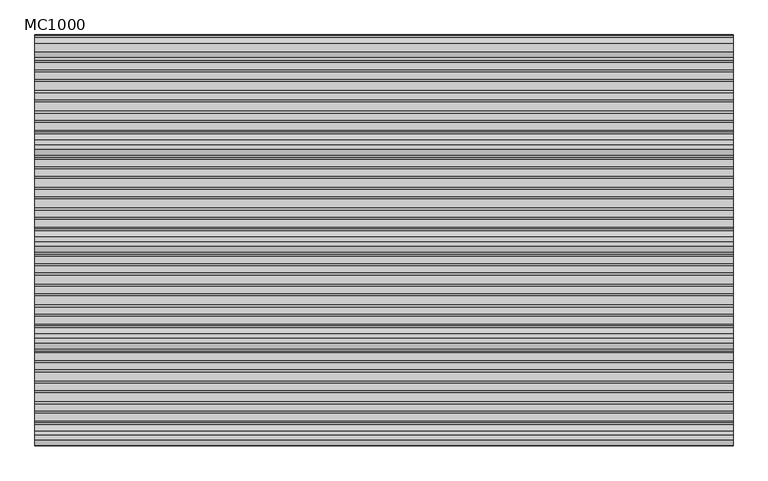
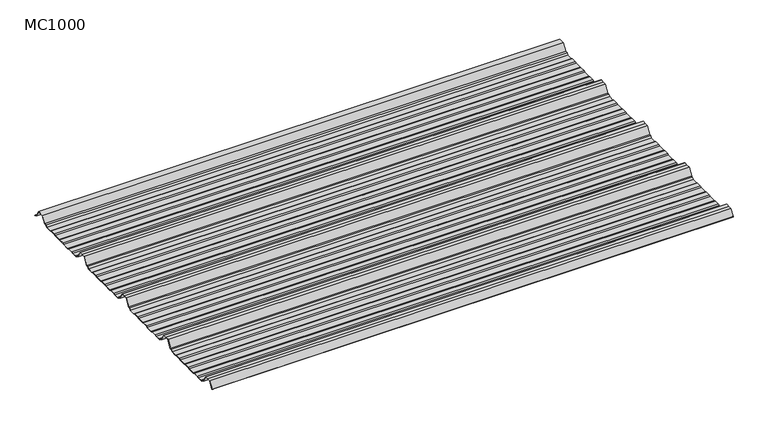
"""IFC4 building model written with IfcOpenShell, lengths in millimetres: beam geometry, MC1000."""

import ifcopenshell
import ifcopenshell.guid

model = None  # the IFC model being written
_history = None  # IfcOwnerHistory: only IFC2X3 demands one
_inside = {}  # id of a spatial element -> (the spatial element, [elements in it])
_under = {}  # id of a project, library or spatial element -> (it, [spatial elements below it])
_declared = {}  # id of a project -> (the project, [libraries it declares])
_typed = {}  # id of a type object -> (the type object, [elements of that type])
_made_of = {}  # id of a material, layer set ... -> (it, [elements and type objects made of it])


def new_model(schema):
    """Start an empty IFC model of exactly this schema.

    Asked for "IFC4X3", IfcOpenShell would pick the latest addendum, in which some entities
    have other attributes; the version numbers below select the first issue.
    IFC2X3 requires an IfcOwnerHistory on every rooted entity: one is made here for all.
    """
    global model, _history
    if schema == "IFC4X3":
        model = ifcopenshell.file(schema_version=(4, 3, 0, 0))
    else:
        model = ifcopenshell.file(schema=schema)
    _inside.clear()
    _under.clear()
    _declared.clear()
    _typed.clear()
    _made_of.clear()
    _history = None
    if model.schema == "IFC2X3":
        org = make("IfcOrganization", Name="unknown")
        user = make(
            "IfcPersonAndOrganization",
            ThePerson=make("IfcPerson", FamilyName="unknown"),
            TheOrganization=org,
        )
        app = make(
            "IfcApplication",
            ApplicationDeveloper=org,
            Version="unknown",
            ApplicationFullName="unknown",
            ApplicationIdentifier="unknown",
        )
        _history = make(
            "IfcOwnerHistory",
            OwningUser=user,
            OwningApplication=app,
            ChangeAction="ADDED",
            CreationDate=0,
        )
    return model


def make(cls, **values):
    """One entity of the class cls with the attributes given. An attribute that is None is left unset."""
    return model.create_entity(
        cls, **{name: value for name, value in values.items() if value is not None}
    )


def rooted(cls, **values):
    """An entity with a GlobalId (a new one), such as an element, a storey or a relation."""
    return make(cls, GlobalId=ifcopenshell.guid.new(), OwnerHistory=_history, **values)


def si_unit(unit_type, name, prefix=None):
    """IfcSIUnit, for example si_unit("LENGTHUNIT", "METRE", prefix="MILLI")."""
    return make("IfcSIUnit", UnitType=unit_type, Prefix=prefix, Name=name)


def assignment(units):
    """IfcUnitAssignment: the units of a project."""
    return None if units is None else make("IfcUnitAssignment", Units=units)


def point(xyz):
    """IfcCartesianPoint."""
    return None if xyz is None else make("IfcCartesianPoint", Coordinates=xyz)


def direction(xyz):
    """IfcDirection."""
    return None if xyz is None else make("IfcDirection", DirectionRatios=xyz)


def frame(location, z_axis=None, x_axis=None):
    """IfcAxis2Placement3D, a coordinate frame: its origin and axes. An axis left out is left unset."""
    return make(
        "IfcAxis2Placement3D",
        Location=point(location),
        Axis=direction(z_axis),
        RefDirection=direction(x_axis),
    )


def frame_2d(location, x_axis=None):
    """IfcAxis2Placement2D, a coordinate frame in the plane: its origin and x axis."""
    return make(
        "IfcAxis2Placement2D", Location=point(location), RefDirection=direction(x_axis)
    )


def origin():
    """The frame at (0, 0, 0) with its axes left unset."""
    return frame((0.0, 0.0, 0.0))


def place(relative_to, where):
    """IfcLocalPlacement: puts the frame where relative to a parent placement (None: the world)."""
    return make(
        "IfcLocalPlacement", PlacementRelTo=relative_to, RelativePlacement=where
    )


def context(
    kind, dimensions, precision=None, world=None, true_north=None, identifier=None
):
    """IfcGeometricRepresentationContext, for example the 3D "Model" context."""
    return make(
        "IfcGeometricRepresentationContext",
        ContextIdentifier=identifier,
        ContextType=kind,
        CoordinateSpaceDimension=dimensions,
        Precision=precision,
        WorldCoordinateSystem=world,
        TrueNorth=true_north,
    )


def project(units=None, contexts=None):
    """IfcProject with its units and contexts."""
    return rooted(
        "IfcProject",
        Name="project",
        RepresentationContexts=contexts,
        UnitsInContext=assignment(units),
    )


def spatial(cls, under=None, at=None, **own):
    """A site, building, storey or space (cls), placed at a placement, below another one or the project."""
    s = rooted(cls, ObjectPlacement=at, **own)
    if under is not None:
        _under.setdefault(under.id(), (under, []))[1].append(s)
    return s


def polyline(points):
    """IfcPolyline through the points."""
    return make("IfcPolyline", Points=[point(p) for p in points])


def circle_curve(where, radius):
    """IfcCircle in the frame where."""
    return make("IfcCircle", Position=where, Radius=radius)


def trimmed(basis, trim1, trim2, sense, master):
    """IfcTrimmedCurve: the piece of a basis curve between two trims."""
    return make(
        "IfcTrimmedCurve",
        BasisCurve=basis,
        Trim1=trim1,
        Trim2=trim2,
        SenseAgreement=sense,
        MasterRepresentation=master,
    )


def segment(curve, same_sense, transition):
    """IfcCompositeCurveSegment."""
    return make(
        "IfcCompositeCurveSegment",
        Transition=transition,
        SameSense=same_sense,
        ParentCurve=curve,
    )


def composite_curve(segments, self_intersect=None):
    """IfcCompositeCurve: segments joined end to end."""
    return make("IfcCompositeCurve", Segments=segments, SelfIntersect=self_intersect)


def outline(outer, holes=None, kind="AREA"):
    """IfcArbitraryClosedProfileDef: a profile drawn as a closed curve; with holes, ...WithVoids."""
    if holes is None:
        return make("IfcArbitraryClosedProfileDef", ProfileType=kind, OuterCurve=outer)
    return make(
        "IfcArbitraryProfileDefWithVoids",
        ProfileType=kind,
        OuterCurve=outer,
        InnerCurves=holes,
    )


def extrude(swept, where, along, depth):
    """IfcExtrudedAreaSolid: the profile swept, set in the frame where, extruded along a direction by depth."""
    return make(
        "IfcExtrudedAreaSolid",
        SweptArea=swept,
        Position=where,
        ExtrudedDirection=direction(along),
        Depth=depth,
    )


def shape(context_of_items, identifier, shape_type, items):
    """IfcShapeRepresentation: the items that make up one representation, for example the "Body"."""
    return make(
        "IfcShapeRepresentation",
        ContextOfItems=context_of_items,
        RepresentationIdentifier=identifier,
        RepresentationType=shape_type,
        Items=items,
    )


def source(mapping_origin, context_of_items, identifier, shape_type, items):
    """IfcRepresentationMap: a shape defined once, which mapped items show again and again."""
    return make(
        "IfcRepresentationMap",
        MappingOrigin=mapping_origin,
        MappedRepresentation=shape(context_of_items, identifier, shape_type, items),
    )


def transform(
    local_origin,
    x_axis=None,
    y_axis=None,
    z_axis=None,
    scale=None,
    scale2=None,
    scale3=None,
    uniform=True,
):
    """IfcCartesianTransformationOperator3D, or its non-uniform kind. x_axis, y_axis, z_axis: its Axis1, 2, 3."""
    if uniform:
        return make(
            "IfcCartesianTransformationOperator3D",
            Axis1=direction(x_axis),
            Axis2=direction(y_axis),
            LocalOrigin=point(local_origin),
            Scale=scale,
            Axis3=direction(z_axis),
        )
    return make(
        "IfcCartesianTransformationOperator3DnonUniform",
        Axis1=direction(x_axis),
        Axis2=direction(y_axis),
        LocalOrigin=point(local_origin),
        Scale=scale,
        Axis3=direction(z_axis),
        Scale2=scale2,
        Scale3=scale3,
    )


def mapped(mapping_source, mapping_target):
    """IfcMappedItem: shows the shape of a source again, moved by a transform."""
    return make(
        "IfcMappedItem", MappingSource=mapping_source, MappingTarget=mapping_target
    )


def made_of(thing, what):
    """Note that an element or type object is made of a material, layer set ...; save() writes the relation."""
    if what is not None:
        _made_of.setdefault(what.id(), (what, []))[1].append(thing)
    return thing


def element(
    cls,
    number,
    at=None,
    inside=None,
    cuts=None,
    type_object=None,
    material=None,
    context=None,
    identifier="Body",
    shape_type=None,
    held_by="IfcProductDefinitionShape",
    body=None,
    shapes=None,
    **own,
):
    """One element of the class cls, such as IfcWall. Its Tag is "e" and its number.

    at: its placement. inside: the storey or other place that contains it. cuts: it is an
    opening in that element (IfcRelVoidsElement). A single representation is given by context,
    identifier, shape_type and body (its items); several are given by shapes. held_by: the class
    of the entity that holds the representations. save() writes the other relations.
    """
    e = rooted(cls, Tag="e%d" % number, ObjectPlacement=at, **own)
    if body is not None:
        shapes = [shape(context, identifier, shape_type, body)]
    if shapes is not None:
        e.Representation = make(held_by, Representations=shapes)
    if inside is not None:
        _inside.setdefault(inside.id(), (inside, []))[1].append(e)
    if cuts is not None:
        rooted(
            "IfcRelVoidsElement", RelatingBuildingElement=cuts, RelatedOpeningElement=e
        )
    if type_object is not None:
        _typed.setdefault(type_object.id(), (type_object, []))[1].append(e)
    return made_of(e, material)


def aggregate(whole, parts):
    """IfcRelAggregates: a whole, such as a stair, and the parts it consists of."""
    return rooted("IfcRelAggregates", RelatingObject=whole, RelatedObjects=parts)


def save(model, path):
    """Write the relations noted so far, then the file.

    IfcRelAggregates (storeys below a building ...), IfcRelContainedInSpatialStructure (elements
    in a storey), IfcRelDefinesByType, IfcRelAssociatesMaterial and IfcRelDeclares: one each for
    every whole, place, type object, material and project.
    """
    for whole, parts in _under.values():
        aggregate(whole, parts)
    for where, things in _inside.values():
        rooted(
            "IfcRelContainedInSpatialStructure",
            RelatedElements=things,
            RelatingStructure=where,
        )
    for kind, things in _typed.values():
        rooted("IfcRelDefinesByType", RelatedObjects=things, RelatingType=kind)
    for what, things in _made_of.values():
        rooted("IfcRelAssociatesMaterial", RelatedObjects=things, RelatingMaterial=what)
    for by, libraries in _declared.values():
        rooted("IfcRelDeclares", RelatingContext=by, RelatedDefinitions=libraries)
    model.write(path)


def mc1000_ae855842(model_context):
    return source(origin(), model_context, "Body", "SweptSolid", [
        extrude(outline(composite_curve([segment(polyline([(-187.0338322, -23.7896472), (-192.5, -25.7896478), (-213.5, -25.7896478), (-217.6210251, -19.1370213), (-222.9746775, -19.1370213), (-238.0568616, 5.2103522), (-250.0, 5.2103522), (-261.9431384, 5.2103522), (-277.0253225, -19.1370213), (-282.3789749, -19.1370213), (-286.5, -25.7896478), (-307.5, -25.7896478), (-312.9661678, -23.7896476), (-330.9151087, -23.7896476), (-336.3812767, -25.7896478), (-360.5593616, -25.7896478), (-366.0255296, -23.7896476), (-383.97447, -23.7896476), (-389.4406384, -25.7896478), (-413.6187233, -25.7896478), (-419.0848913, -23.7896476), (-437.0338322, -23.7896476), (-442.5, -25.7896478), (-463.5, -25.7896478), (-467.6210251, -19.1370213), (-472.9746775, -19.1370213), (-488.0568616, 5.2103522), (-500.0, 5.2103522), (-511.9431384, 5.2103522), (-527.0253225, -19.1370213), (-532.3789749, -19.1370213), (-536.5, -25.7896478), (-557.5, -25.7896478), (-562.9661678, -23.789648), (-580.9151087, -23.789648), (-586.3812767, -25.7896482), (-610.5593616, -25.7896482), (-616.0255296, -23.7896476), (-633.97447, -23.7896476), (-639.4406384, -25.7896478), (-663.6187233, -25.7896478), (-669.0848913, -23.7896476), (-687.0338322, -23.7896476), (-692.5, -25.7896478), (-713.5, -25.7896478), (-717.6210251, -19.1370213), (-722.9746775, -19.1370213), (-738.0568616, 5.2103522), (-750.0, 5.2103522), (-761.9431384, 5.2103522), (-777.0253225, -19.1370213), (-782.3789749, -19.1370213), (-786.5, -25.7896478), (-807.5, -25.7896478), (-812.9661678, -23.7896476), (-830.9151087, -23.7896476), (-836.3812767, -25.7896478), (-860.5593616, -25.7896478), (-866.0255296, -23.7896476), (-883.97447, -23.7896476), (-889.4406384, -25.7896478), (-913.6187233, -25.7896478), (-919.0848913, -23.7896476), (-937.0338322, -23.7896476), (-942.5, -25.7896478), (-963.5, -25.7896478), (-967.6210251, -19.1370213), (-972.9746775, -19.1370213), (-988.0568616, 5.2103522), (-1000.0, 5.2103522), (-1011.9431384, 5.2103522), (-1025.3430666, -16.4213329)]), True, "CONTINUOUS"), segment(trimmed(circle_curve(frame_2d((-1025.768121, -16.1580294)), 0.5), [point((-1025.3430666, -16.4213329))], [point((-1026.1931754, -15.8947259))], False, "CARTESIAN"), True, "CONTINUOUS"), segment(polyline([(-1026.1931754, -15.8947259), (-1012.5, 6.2103522), (-1000.0, 6.2103522), (-987.5, 6.2103522), (-972.4178159, -18.1370213), (-967.0641635, -18.1370213), (-962.9431384, -24.7896478), (-942.6771992, -24.7896478), (-937.2110314, -22.7896476), (-918.9076926, -22.7896476), (-913.4415242, -24.7896478), (-889.6178376, -24.7896478), (-884.1516696, -22.7896478), (-865.8483309, -22.7896478), (-860.3821624, -24.7896478), (-836.5584758, -24.7896478), (-831.0923074, -22.7896476), (-812.7889686, -22.7896476), (-807.3228008, -24.7896478), (-787.0568616, -24.7896478), (-782.9358365, -18.1370213), (-777.5821841, -18.1370213), (-762.5, 6.2103522), (-750.0, 6.2103522), (-737.5, 6.2103522), (-722.4178159, -18.1370213), (-717.0641635, -18.1370213), (-712.9431384, -24.7896478), (-692.6771992, -24.7896478), (-687.2110314, -22.7896476), (-668.9076926, -22.7896476), (-663.4415242, -24.7896478), (-639.6178376, -24.7896478), (-634.1516696, -22.7896478), (-615.8483309, -22.7896478), (-610.3821624, -24.7896482), (-586.5584758, -24.7896482), (-581.0923074, -22.789648), (-562.7889686, -22.789648), (-557.3228008, -24.7896478), (-537.0568616, -24.7896478), (-532.9358365, -18.1370213), (-527.5821841, -18.1370213), (-512.5, 6.2103522), (-500.0, 6.2103522), (-487.5, 6.2103522), (-472.4178159, -18.1370213), (-467.0641635, -18.1370213), (-462.9431384, -24.7896478), (-442.6771992, -24.7896478), (-437.2110314, -22.7896476), (-418.9076926, -22.7896476), (-413.4415242, -24.7896478), (-389.6178376, -24.7896478), (-384.1516696, -22.7896478), (-365.8483309, -22.7896478), (-360.3821624, -24.7896478), (-336.5584758, -24.7896478), (-331.0923074, -22.7896476), (-312.7889686, -22.7896476), (-307.3228008, -24.7896478), (-287.0568616, -24.7896478), (-282.9358365, -18.1370213), (-277.5821841, -18.1370213), (-262.5, 6.2103522), (-250.0, 6.2103522), (-237.5, 6.2103522), (-222.4178159, -18.1370213), (-217.0641635, -18.1370213), (-212.9431384, -24.7896478), (-192.6771992, -24.7896478), (-187.2110314, -22.7896472), (-168.9076926, -22.7896472), (-163.4415242, -24.7896475), (-139.6178376, -24.7896475), (-134.1516696, -22.7896474), (-115.8483309, -22.7896474), (-110.3821624, -24.7896475), (-86.5584758, -24.7896475), (-81.0923074, -22.7896476), (-62.7889686, -22.7896476), (-57.3228008, -24.7896478), (-37.0568616, -24.7896478), (-32.9358365, -18.1370213), (-25.2295442, -18.1370213), (-11.3862768, 4.2103522), (11.3862768, 4.2103522), (26.4684609, -20.1370213), (31.8221133, -20.1370213), (33.8767469, -23.4538441)]), True, "CONTINUOUS"), segment(trimmed(circle_curve(frame_2d((33.4516925, -23.7171476)), 0.5), [point((33.8767469, -23.4538441))], [point((33.0266381, -23.9804511))], False, "CARTESIAN"), True, "CONTINUOUS"), segment(polyline([(33.0266381, -23.9804511), (31.2652517, -21.1370213), (25.9115993, -21.1370213), (10.8294152, 3.2103522), (-10.8294152, 3.2103522), (-24.6726825, -19.1370213), (-32.3789749, -19.1370213), (-36.5, -25.7896478), (-57.5, -25.7896478), (-62.9661678, -23.7896476), (-80.9151087, -23.7896476), (-86.3812767, -25.7896475), (-110.5593616, -25.7896475), (-116.0255296, -23.7896472), (-133.97447, -23.7896472), (-139.4406384, -25.7896475), (-163.6187233, -25.7896475), (-169.0848913, -23.7896472), (-187.0338322, -23.7896472)]), True, "CONTINUOUS")], self_intersect=False)), frame((-900.0, 0.0, 0.0), z_axis=(1.0, 0.0, 0.0), x_axis=(0.0, 1.0, 0.0)), (0.0, 0.0, 1.0), 1800.0),
    ])


if __name__ == "__main__":
    model = new_model("IFC4")
    model_context = context("Model", 3, world=origin())
    ifc_project = project(units=[si_unit("LENGTHUNIT", "METRE", prefix="MILLI")], contexts=[model_context])
    site = spatial("IfcSite", under=ifc_project)
    building = spatial("IfcBuilding", under=site)
    placement = place(None, origin())
    mc1000_shape = mc1000_ae855842(model_context)
    element("IfcBeam", 1, ObjectType="MC1000", at=placement, inside=building, context=model_context, shape_type="MappedRepresentation", body=[
        mapped(mc1000_shape, transform((0.0, 0.0, 0.0), x_axis=(1.0, 0.0, 0.0), y_axis=(0.0, 1.0, 0.0), z_axis=(0.0, 0.0, 1.0))),
    ])
    save(model, "model.ifc")
